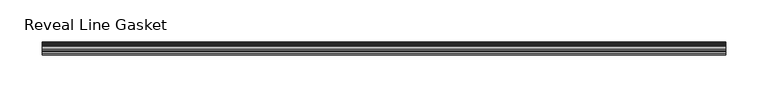
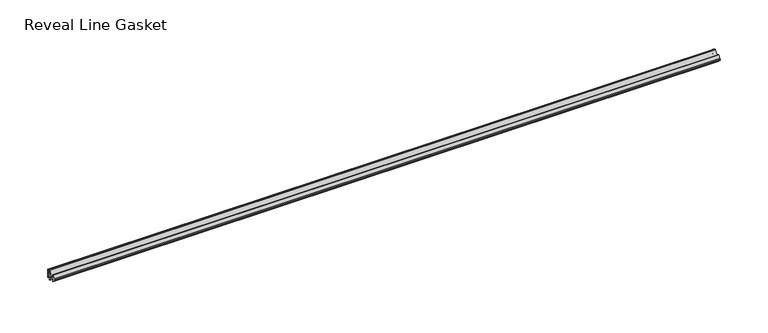
"""IFC4 building model written with IfcOpenShell, lengths in millimetres: furniture geometry, Reveal Line Gasket."""

from ifc_helpers import new_model, si_unit, point, frame, frame_2d, origin, place, context, project, spatial, polyline, circle_curve, trimmed, segment, composite_curve, outline, extrude, source, transform, mapped, element, save


def reveal_line_gasket_4c97e5b9(model_context):
    return source(origin(), model_context, "Body", "SweptSolid", [
        extrude(outline(composite_curve([segment(polyline([(7.6326998, 1603.2), (7.6326998, 1597.2), (7.4091917, 1596.2445073), (6.8813059, 1595.3115316)]), True, "CONTINUOUS"), segment(trimmed(circle_curve(frame_2d((6.5243141, 1595.5135207)), 0.4101739), [point((6.8813059, 1595.3115316))], [point((6.1246704, 1595.6058653))], False, "CARTESIAN"), True, "CONTINUOUS"), segment(polyline([(6.1246704, 1595.6058653), (6.3626997, 1597.3020914), (6.3626997, 1599.3345473)]), True, "CONTINUOUS"), segment(trimmed(circle_curve(frame_2d((5.6959605, 1598.9180742)), 0.786124), [point((6.3626997, 1599.3345473))], [point((5.0926996, 1599.422125))], True, "CARTESIAN"), True, "CONTINUOUS"), segment(polyline([(5.0926996, 1599.422125), (0.7492996, 1599.422125), (3.7293824, 1594.2604705)]), True, "CONTINUOUS"), segment(trimmed(circle_curve(frame_2d((3.3132479, 1594.1950239)), 0.4212495), [point((3.7293824, 1594.2604705))], [point((3.0485022, 1593.8673642))], False, "CARTESIAN"), True, "CONTINUOUS"), segment(polyline([(3.0485022, 1593.8673642), (-0.5742594, 1599.422125), (-4.8262978, 1599.422125), (-3.1660374, 1596.5464703)]), True, "CONTINUOUS"), segment(trimmed(circle_curve(frame_2d((-3.5978728, 1596.4881145)), 0.4357605), [point((-3.1660374, 1596.5464703))], [point((-3.864328, 1596.1433119))], False, "CARTESIAN"), True, "CONTINUOUS"), segment(polyline([(-3.864328, 1596.1433119), (-6.1944059, 1599.422125), (-7.6326998, 1599.422125), (-7.6326998, 1600.977875), (-6.1944059, 1600.977875), (-3.864328, 1604.2566881)]), True, "CONTINUOUS"), segment(trimmed(circle_curve(frame_2d((-3.5978728, 1603.9118855)), 0.4357605), [point((-3.864328, 1604.2566881))], [point((-3.1660374, 1603.8535297))], False, "CARTESIAN"), True, "CONTINUOUS"), segment(polyline([(-3.1660374, 1603.8535297), (-4.8262978, 1600.977875), (-0.5742594, 1600.977875), (3.0485022, 1606.5326358)]), True, "CONTINUOUS"), segment(trimmed(circle_curve(frame_2d((3.3132479, 1606.2049761)), 0.4212495), [point((3.0485022, 1606.5326358))], [point((3.7293824, 1606.1395295))], False, "CARTESIAN"), True, "CONTINUOUS"), segment(polyline([(3.7293824, 1606.1395295), (0.7492996, 1600.977875), (5.0926996, 1600.977875)]), True, "CONTINUOUS"), segment(trimmed(circle_curve(frame_2d((5.6959605, 1601.4819258)), 0.786124), [point((5.0926996, 1600.977875))], [point((6.3626997, 1601.0654527))], True, "CARTESIAN"), True, "CONTINUOUS"), segment(polyline([(6.3626997, 1601.0654527), (6.3626997, 1603.0979086), (6.1246704, 1604.7941347)]), True, "CONTINUOUS"), segment(trimmed(circle_curve(frame_2d((6.5243141, 1604.8864793)), 0.4101739), [point((6.1246704, 1604.7941347))], [point((6.8813059, 1605.0884684))], False, "CARTESIAN"), True, "CONTINUOUS"), segment(polyline([(6.8813059, 1605.0884684), (7.4091917, 1604.1554927), (7.6326998, 1603.2)]), True, "CONTINUOUS")], self_intersect=False)), frame((-404.5204, 0.0, 0.0), z_axis=(1.0, 0.0, 0.0), x_axis=(0.0, 1.0, 0.0)), (0.0, 0.0, 1.0), 809.0408),
    ])


if __name__ == "__main__":
    model = new_model("IFC4")
    model_context = context("Model", 3, world=origin())
    ifc_project = project(units=[si_unit("LENGTHUNIT", "METRE", prefix="MILLI")], contexts=[model_context])
    site = spatial("IfcSite", under=ifc_project)
    building = spatial("IfcBuilding", under=site)
    placement = place(None, origin())
    reveal_line_gasket_shape = reveal_line_gasket_4c97e5b9(model_context)
    element("IfcFurniture", 1, ObjectType="Reveal Line Gasket", at=placement, inside=building, context=model_context, shape_type="MappedRepresentation", body=[
        mapped(reveal_line_gasket_shape, transform((0.0, 0.0, 0.0), x_axis=(1.0, 0.0, 0.0), y_axis=(0.0, 1.0, 0.0), z_axis=(0.0, 0.0, 1.0))),
    ])
    save(model, "model.ifc")
